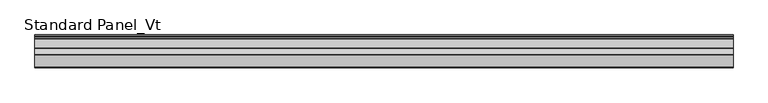
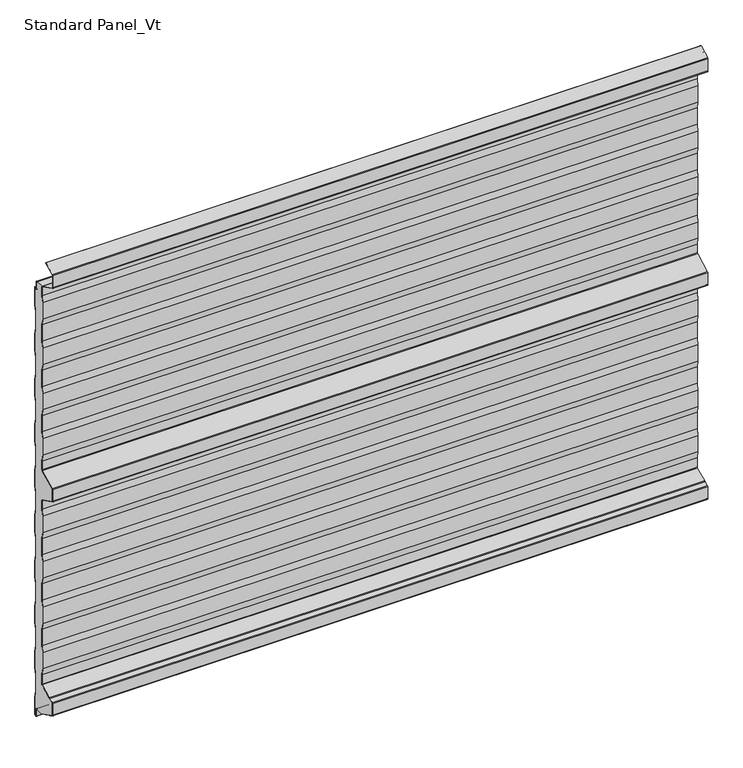
"""IFC4 building model written with IfcOpenShell, lengths in millimetres: proxy geometry, Standard Panel_Vt."""

from ifc_helpers import new_model, si_unit, point, frame, frame_2d, origin, place, context, project, spatial, polyline, circle_curve, trimmed, segment, composite_curve, outline, extrude, source, transform, mapped, element, save
from ifc_brep_helpers import plane_surface, cylinder_surface, revolved_surface, advanced_brep


def standard_panel_vt_29ff8bad(model_context):
    return source(origin(), model_context, "Body", "SolidModel", [
        advanced_brep(
        [(-723.9042608, -27.5, 35.1338169), (-723.9042608, -27.5, 57.6094989), (-723.9042608, -30.0, 72.448892), (-723.9042608, -30.0, 110.5241033), (-723.9042608, -27.5, 125.3634964), (-723.9042608, -27.5, 163.6094989), (-723.9042608, -30.0, 178.448892), (-723.9042608, -30.0, 216.5241033), (-723.9042608, -27.5, 231.3634964), (-723.9042608, -27.5, 269.6094989), (-723.9042608, -30.0, 284.448892), (-723.9042608, -30.0, 322.5241033), (-723.9042608, -27.5, 337.3634964), (-723.9042608, -27.5, 375.6094989), (-723.9042608, -30.0, 390.448892), (-723.9042608, -30.0, 428.5241033), (-723.9042608, -27.5, 443.3634964), (-723.9042608, -27.5, 463.5777279), (-723.9042608, -29.215023, 466.3511443), (-723.9042608, -66.7201502, 485.0802964), (-723.9042608, -67.55, 486.4222721), (-723.9042608, -67.55, 513.5777279), (-723.9042608, -66.7201502, 514.9197036), (-723.9042608, -29.215023, 533.6488557), (-723.9042608, -27.5, 536.4222721), (-723.9042608, -27.5, 556.6365036), (-723.9042608, -30.0, 571.4758967), (-723.9042608, -30.0, 609.551108), (-723.9042608, -27.5, 624.3905011), (-723.9042608, -27.5, 662.6365036), (-723.9042608, -30.0, 677.4758967), (-723.9042608, -30.0, 715.551108), (-723.9042608, -27.5, 730.3905011), (-723.9042608, -27.5, 768.6365036), (-723.9042608, -30.0, 783.4758967), (-723.9042608, -30.0, 821.551108), (-723.9042608, -27.5, 836.3905011), (-723.9042608, -27.5, 874.6365036), (-723.9042608, -30.0, 889.4758967), (-723.9042608, -30.0, 927.551108), (-723.9042608, -27.5, 942.3905011), (-723.9042608, -27.5, 962.6040392), (-723.9042608, -27.9622719, 964.2326554), (-723.9042608, -10.2001722, 964.2), (-723.9042608, -10.2001722, 963.3616429), (-723.9042608, -8.2001714, 963.3616429), (-723.9042608, -6.9001721, 962.0616436), (-723.9042608, -6.9001721, 946.4755735), (-723.9042608, -4.1204106, 944.9655843), (-723.9042608, -1.6, 946.6009611), (-723.9042608, -1.6, 905.4928529), (-723.9042608, -4.1, 890.4928529), (-723.9042608, -4.1, 852.3604329), (-723.9042608, -1.6, 837.3604329), (-723.9042608, -1.6, 799.4928529), (-723.9042608, -4.1, 784.4928529), (-723.9042608, -4.1, 746.3604329), (-723.9042608, -1.6, 731.3604329), (-723.9042608, -1.6, 693.4928529), (-723.9042608, -4.1, 678.4928529), (-723.9042608, -4.1, 640.3604329), (-723.9042608, -1.6, 625.3604329), (-723.9042608, -1.6, 587.4928529), (-723.9042608, -4.1, 572.4928529), (-723.9042608, -4.1, 534.3604329), (-723.9042608, -1.6, 519.3604329), (-723.9042608, -1.6, 481.9928529), (-723.9042608, -4.1, 466.9928529), (-723.9042608, -4.1, 428.8604329), (-723.9042608, -1.6, 413.8604329), (-723.9042608, -1.6, 375.4928529), (-723.9042608, -4.1, 360.4928529), (-723.9042608, -4.1, 322.3604329), (-723.9042608, -1.6, 307.3604329), (-723.9042608, -1.6, 269.4928529), (-723.9042608, -4.1, 254.4928529), (-723.9042608, -4.1, 216.3604329), (-723.9042608, -1.6, 201.3604329), (-723.9042608, -1.6, 163.4928529), (-723.9042608, -4.1, 148.4928529), (-723.9042608, -4.1, 110.3604329), (-723.9042608, -1.6, 95.3604329), (-723.9042608, -1.6, 57.4928529), (-723.9042608, -4.1, 42.4928529), (-723.9042608, -4.1, 4.3604329), (-723.9042608, -1.6, -10.6395671), (-723.9042608, -1.6, -51.4917405), (-723.9042608, -4.8001723, -53.568183), (-723.9042608, -4.8001723, -37.2383568), (-723.9042608, -7.0001721, -35.0383571), (-723.9042608, -8.930172, -35.0383571), (-723.9042608, -8.930172, -35.8383571), (-723.9042608, -25.05, -35.8), (-723.9042608, -66.7201502, -14.9197036), (-723.9042608, -67.55, -13.5777279), (-723.9042608, -67.55, 13.5777279), (-723.9042608, -66.7201502, 14.9197036), (-723.9042608, -58.2301555, 19.1594013), (-723.9042608, -56.5702853, 19.3495888), (-723.9042608, -55.8045421, 19.576942), (-723.9042608, -28.7724364, 33.0761209), (723.9042608, -27.5, 35.1338169), (723.9042608, -28.7724364, 33.0761209), (723.9042608, -55.8045421, 19.576942), (723.9042608, -56.5702853, 19.3495888), (723.9042608, -58.2301555, 19.1594013), (723.9042608, -66.7201502, 14.9197036), (723.9042608, -67.55, 13.5777279), (723.9042608, -67.55, -13.5777279), (723.9042608, -66.7201502, -14.9197036), (723.9042608, -25.05, -35.7287673), (723.9042608, -8.930172, -35.8383571), (723.9042608, -8.930172, -35.0383571), (723.9042608, -7.0001721, -35.0383571), (723.9042608, -4.8001723, -37.2383568), (723.9042608, -4.8001723, -53.568183), (723.9042608, -1.6, -51.4917405), (723.9042608, -1.6, -10.6395671), (723.9042608, -4.1, 4.3604329), (723.9042608, -4.1, 42.4928529), (723.9042608, -1.6, 57.4928529), (723.9042608, -1.6, 95.3604329), (723.9042608, -4.1, 110.3604329), (723.9042608, -4.1, 148.4928529), (723.9042608, -1.6, 163.4928529), (723.9042608, -1.6, 201.3604329), (723.9042608, -4.1, 216.3604329), (723.9042608, -4.1, 254.4928529), (723.9042608, -1.6, 269.4928529), (723.9042608, -1.6, 307.3604329), (723.9042608, -4.1, 322.3604329), (723.9042608, -4.1, 360.4928529), (723.9042608, -1.6, 375.4928529), (723.9042608, -1.6, 413.8604329), (723.9042608, -4.1, 428.8604329), (723.9042608, -4.1, 466.9928529), (723.9042608, -1.6, 481.9928529), (723.9042608, -1.6, 519.3604329), (723.9042608, -4.1, 534.3604329), (723.9042608, -4.1, 572.4928529), (723.9042608, -1.6, 587.4928529), (723.9042608, -1.6, 625.3604329), (723.9042608, -4.1, 640.3604329), (723.9042608, -4.1, 678.4928529), (723.9042608, -1.6, 693.4928529), (723.9042608, -1.6, 731.3604329), (723.9042608, -4.1, 746.3604329), (723.9042608, -4.1, 784.4928529), (723.9042608, -1.6, 799.4928529), (723.9042608, -1.6, 837.3604329), (723.9042608, -4.1, 852.3604329), (723.9042608, -4.1, 890.4928529), (723.9042608, -1.6, 905.4928529), (723.9042608, -1.6, 946.6009611), (723.9042608, -4.1204106, 944.9655843), (723.9042608, -6.9001721, 946.4755735), (723.9042608, -6.9001721, 962.0616436), (723.9042608, -8.2001714, 963.3616429), (723.9042608, -10.2001722, 963.3616429), (723.9042608, -10.2001722, 964.2), (723.9042608, -27.9622719, 964.2326554), (723.9042608, -27.5, 962.6040392), (723.9042608, -27.5, 942.3905011), (723.9042608, -30.0, 927.551108), (723.9042608, -30.0, 889.4758967), (723.9042608, -27.5, 874.6365036), (723.9042608, -27.5, 836.3905011), (723.9042608, -30.0, 821.551108), (723.9042608, -30.0, 783.4758967), (723.9042608, -27.5, 768.6365036), (723.9042608, -27.5, 730.3905011), (723.9042608, -30.0, 715.551108), (723.9042608, -30.0, 677.4758967), (723.9042608, -27.5, 662.6365036), (723.9042608, -27.5, 624.3905011), (723.9042608, -30.0, 609.551108), (723.9042608, -30.0, 571.4758967), (723.9042608, -27.5, 556.6365036), (723.9042608, -27.5, 536.4222721), (723.9042608, -29.215023, 533.6488557), (723.9042608, -66.7201502, 514.9197036), (723.9042608, -67.55, 513.5777279), (723.9042608, -67.55, 486.4222721), (723.9042608, -66.7201502, 485.0802964), (723.9042608, -29.215023, 466.3511443), (723.9042608, -27.5, 463.5777279), (723.9042608, -27.5, 443.3634964), (723.9042608, -30.0, 428.5241033), (723.9042608, -30.0, 390.448892), (723.9042608, -27.5, 375.6094989), (723.9042608, -27.5, 337.3634964), (723.9042608, -30.0, 322.5241033), (723.9042608, -30.0, 284.448892), (723.9042608, -27.5, 269.6094989), (723.9042608, -27.5, 231.3634964), (723.9042608, -30.0, 216.5241033), (723.9042608, -30.0, 178.448892), (723.9042608, -27.5, 163.6094989), (723.9042608, -27.5, 125.3634964), (723.9042608, -30.0, 110.5241033), (723.9042608, -30.0, 72.448892), (723.9042608, -27.5, 57.6094989)],
        [
            (0, 1),
            (1, 2),
            (2, 3),
            (3, 4),
            (4, 5),
            (5, 6),
            (6, 7),
            (7, 8),
            (8, 9),
            (9, 10),
            (10, 11),
            (11, 12),
            (12, 13),
            (13, 14),
            (14, 15),
            (15, 16),
            (16, 17),
            (17, 18, circle_curve(frame((-723.9042608, -30.6, 463.5777279), z_axis=(1.0, 0.0, 0.0), x_axis=(0.0, 0.0, -1.0)), 3.1)),
            (18, 19),
            (19, 20, circle_curve(frame((-723.9042608, -66.05, 486.4222721), z_axis=(-1.0, 0.0, 0.0), x_axis=(0.0, 0.0, -1.0)), 1.5)),
            (20, 21),
            (21, 22, circle_curve(frame((-723.9042608, -66.05, 513.5777279), z_axis=(-1.0, 0.0, 0.0), x_axis=(0.0, 0.0, -1.0)), 1.5)),
            (22, 23),
            (23, 24, circle_curve(frame((-723.9042608, -30.6, 536.4222721), z_axis=(1.0, 0.0, 0.0), x_axis=(0.0, 0.0, -1.0)), 3.1)),
            (24, 25),
            (25, 26),
            (26, 27),
            (27, 28),
            (28, 29),
            (29, 30),
            (30, 31),
            (31, 32),
            (32, 33),
            (33, 34),
            (34, 35),
            (35, 36),
            (36, 37),
            (37, 38),
            (38, 39),
            (39, 40),
            (40, 41),
            (41, 42, circle_curve(frame((-723.9042608, -30.6, 962.6040392), z_axis=(1.0, 0.0, 0.0), x_axis=(0.0, 0.0, -1.0)), 3.1)),
            (42, 43),
            (43, 44),
            (44, 45),
            (45, 46, circle_curve(frame((-723.9042608, -8.2001714, 962.0616436), z_axis=(-1.0, 0.0, 0.0), x_axis=(0.0, 0.0, -1.0)), 1.2999993)),
            (46, 47),
            (47, 48, circle_curve(frame((-723.9042608, -5.1001721, 946.4755735), z_axis=(1.0, 0.0, 0.0), x_axis=(0.0, 0.0, -1.0)), 1.8)),
            (48, 49),
            (49, 50),
            (50, 51),
            (51, 52),
            (52, 53),
            (53, 54),
            (54, 55),
            (55, 56),
            (56, 57),
            (57, 58),
            (58, 59),
            (59, 60),
            (60, 61),
            (61, 62),
            (62, 63),
            (63, 64),
            (64, 65),
            (65, 66),
            (66, 67),
            (67, 68),
            (68, 69),
            (69, 70),
            (70, 71),
            (71, 72),
            (72, 73),
            (73, 74),
            (74, 75),
            (75, 76),
            (76, 77),
            (77, 78),
            (78, 79),
            (79, 80),
            (80, 81),
            (81, 82),
            (82, 83),
            (83, 84),
            (84, 85),
            (85, 86),
            (86, 87),
            (87, 88),
            (88, 89, circle_curve(frame((-723.9042608, -7.0001721, -37.2383568), z_axis=(1.0, 0.0, 0.0), x_axis=(0.0, 0.0, -1.0)), 2.1999997)),
            (89, 90),
            (90, 91),
            (91, 92),
            (92, 93),
            (93, 94, circle_curve(frame((-723.9042608, -66.05, -13.5777279), z_axis=(-1.0, 0.0, 0.0), x_axis=(0.0, 0.0, -1.0)), 1.5)),
            (94, 95),
            (95, 96, circle_curve(frame((-723.9042608, -66.05, 13.5777279), z_axis=(-1.0, 0.0, 0.0), x_axis=(0.0, 0.0, -1.0)), 1.5)),
            (96, 97),
            (97, 98),
            (98, 99, circle_curve(frame((-723.9042608, -56.8321057, 21.6346381), z_axis=(1.0, 0.0, 0.0), x_axis=(0.0, 0.0, -1.0)), 2.3)),
            (99, 100),
            (100, 0, circle_curve(frame((-723.9042608, -29.8, 35.1338169), z_axis=(1.0, 0.0, 0.0), x_axis=(0.0, 0.0, -1.0)), 2.3)),
            (101, 102, circle_curve(frame((723.9042608, -29.8, 35.1338169), z_axis=(-1.0, 0.0, 0.0), x_axis=(0.0, 0.0, -1.0)), 2.3)),
            (102, 103),
            (103, 104, circle_curve(frame((723.9042608, -56.8321057, 21.6346381), z_axis=(-1.0, 0.0, 0.0), x_axis=(0.0, 0.0, -1.0)), 2.3)),
            (104, 105),
            (105, 106),
            (106, 107, circle_curve(frame((723.9042608, -66.05, 13.5777279), z_axis=(1.0, 0.0, 0.0), x_axis=(0.0, 0.0, -1.0)), 1.5)),
            (107, 108),
            (108, 109, circle_curve(frame((723.9042608, -66.05, -13.5777279), z_axis=(1.0, 0.0, 0.0), x_axis=(0.0, 0.0, -1.0)), 1.5)),
            (109, 110),
            (110, 111),
            (111, 112),
            (112, 113),
            (113, 114, circle_curve(frame((723.9042608, -7.0001721, -37.2383568), z_axis=(-1.0, 0.0, 0.0), x_axis=(0.0, 0.0, -1.0)), 2.1999997)),
            (114, 115),
            (115, 116),
            (116, 117),
            (117, 118),
            (118, 119),
            (119, 120),
            (120, 121),
            (121, 122),
            (122, 123),
            (123, 124),
            (124, 125),
            (125, 126),
            (126, 127),
            (127, 128),
            (128, 129),
            (129, 130),
            (130, 131),
            (131, 132),
            (132, 133),
            (133, 134),
            (134, 135),
            (135, 136),
            (136, 137),
            (137, 138),
            (138, 139),
            (139, 140),
            (140, 141),
            (141, 142),
            (142, 143),
            (143, 144),
            (144, 145),
            (145, 146),
            (146, 147),
            (147, 148),
            (148, 149),
            (149, 150),
            (150, 151),
            (151, 152),
            (152, 153),
            (153, 154),
            (154, 155, circle_curve(frame((723.9042608, -5.1001721, 946.4755735), z_axis=(-1.0, 0.0, 0.0), x_axis=(0.0, 0.0, -1.0)), 1.8)),
            (155, 156),
            (156, 157, circle_curve(frame((723.9042608, -8.2001714, 962.0616436), z_axis=(1.0, 0.0, 0.0), x_axis=(0.0, 0.0, -1.0)), 1.2999993)),
            (157, 158),
            (158, 159),
            (159, 160),
            (160, 161, circle_curve(frame((723.9042608, -30.6, 962.6040392), z_axis=(-1.0, 0.0, 0.0), x_axis=(0.0, 0.0, -1.0)), 3.1)),
            (161, 162),
            (162, 163),
            (163, 164),
            (164, 165),
            (165, 166),
            (166, 167),
            (167, 168),
            (168, 169),
            (169, 170),
            (170, 171),
            (171, 172),
            (172, 173),
            (173, 174),
            (174, 175),
            (175, 176),
            (176, 177),
            (177, 178),
            (178, 179, circle_curve(frame((723.9042608, -30.6, 536.4222721), z_axis=(-1.0, 0.0, 0.0), x_axis=(0.0, 0.0, -1.0)), 3.1)),
            (179, 180),
            (180, 181, circle_curve(frame((723.9042608, -66.05, 513.5777279), z_axis=(1.0, 0.0, 0.0), x_axis=(0.0, 0.0, -1.0)), 1.5)),
            (181, 182),
            (182, 183, circle_curve(frame((723.9042608, -66.05, 486.4222721), z_axis=(1.0, 0.0, 0.0), x_axis=(0.0, 0.0, -1.0)), 1.5)),
            (183, 184),
            (184, 185, circle_curve(frame((723.9042608, -30.6, 463.5777279), z_axis=(-1.0, 0.0, 0.0), x_axis=(0.0, 0.0, -1.0)), 3.1)),
            (185, 186),
            (186, 187),
            (187, 188),
            (188, 189),
            (189, 190),
            (190, 191),
            (191, 192),
            (192, 193),
            (193, 194),
            (194, 195),
            (195, 196),
            (196, 197),
            (197, 198),
            (198, 199),
            (199, 200),
            (200, 201),
            (201, 101),
            (100, 102),
            (101, 0),
            (99, 103),
            (98, 104),
            (97, 105),
            (96, 106),
            (95, 107),
            (94, 108),
            (93, 109),
            (92, 110),
            (159, 43),
            (42, 160),
            (41, 161),
            (40, 162),
            (39, 163),
            (38, 164),
            (37, 165),
            (36, 166),
            (35, 167),
            (34, 168),
            (33, 169),
            (32, 170),
            (31, 171),
            (30, 172),
            (29, 173),
            (28, 174),
            (27, 175),
            (26, 176),
            (25, 177),
            (24, 178),
            (23, 179),
            (22, 180),
            (21, 181),
            (20, 182),
            (19, 183),
            (18, 184),
            (17, 185),
            (16, 186),
            (15, 187),
            (14, 188),
            (13, 189),
            (12, 190),
            (11, 191),
            (10, 192),
            (9, 193),
            (8, 194),
            (7, 195),
            (6, 196),
            (5, 197),
            (4, 198),
            (3, 199),
            (2, 200),
            (1, 201),
            (158, 44),
            (88, 114),
            (113, 89),
            (87, 115),
            (86, 116),
            (85, 117),
            (84, 118),
            (83, 119),
            (82, 120),
            (81, 121),
            (80, 122),
            (79, 123),
            (78, 124),
            (77, 125),
            (76, 126),
            (75, 127),
            (74, 128),
            (73, 129),
            (72, 130),
            (71, 131),
            (70, 132),
            (69, 133),
            (68, 134),
            (67, 135),
            (66, 136),
            (65, 137),
            (64, 138),
            (63, 139),
            (62, 140),
            (61, 141),
            (60, 142),
            (59, 143),
            (58, 144),
            (57, 145),
            (56, 146),
            (55, 147),
            (54, 148),
            (53, 149),
            (52, 150),
            (51, 151),
            (50, 152),
            (49, 153),
            (48, 154),
            (47, 155),
            (46, 156),
            (45, 157),
            (90, 112),
            (111, 91),
        ],
        [
            plane_surface(frame((-723.9042608, -30.0, 500.0), z_axis=(-1.0, 0.0, 0.0), x_axis=(0.0, 1.0, 0.0))),
            plane_surface(frame((723.9042608, -30.0, 500.0), z_axis=(1.0, 0.0, 0.0), x_axis=(0.0, 1.0, 0.0))),
            revolved_surface(polyline([(723.9042608, -29.8, 32.8338169), (-723.9042608, -29.8, 32.8338169)]), (-723.9042608, -29.8, 35.1338169), (1.0, 0.0, 0.0)),
            plane_surface(frame((-723.9042608, -28.7724364, 33.0761209), z_axis=(0.0, -0.4467667729379058, 0.89465046280581), x_axis=(1.0, 0.0, 0.0))),
            revolved_surface(polyline([(723.9042608, -56.8321057, 19.3346381), (-723.9042608, -56.8321057, 19.3346381)]), (-723.9042608, -56.8321057, 21.6346381), (1.0, 0.0, 0.0)),
            plane_surface(frame((-723.9042608, -56.5702853, 19.3495888), z_axis=(0.0, -0.11383496024224143, 0.9934996737929246), x_axis=(1.0, 0.0, 0.0))),
            plane_surface(frame((-723.9042608, -58.2301555, 19.1594013), z_axis=(0.0, -0.44676677293837763, 0.8946504628055743), x_axis=(1.0, 0.0, 0.0))),
            cylinder_surface(frame((-723.9042608, -66.05, 13.5777279), z_axis=(-1.0, 0.0, 0.0), x_axis=(0.0, 0.0, -1.0)), 1.5),
            plane_surface(frame((-723.9042608, -67.55, 13.5777279), z_axis=(0.0, -1.0, 0.0), x_axis=(1.0, 0.0, 0.0))),
            cylinder_surface(frame((-723.9042608, -66.05, -13.5777279), z_axis=(-1.0, 0.0, 0.0), x_axis=(0.0, 0.0, -1.0)), 1.5),
            plane_surface(frame((-723.9042608, -66.7201502, -14.9197036), z_axis=(0.0, -0.4467667729366023, -0.8946504628064608), x_axis=(1.0, 0.0, 0.0))),
            plane_surface(frame((-723.9042608, -25.05, 964.2326554), z_axis=(0.0, 0.0, 1.0), x_axis=(1.0, 0.0, 0.0))),
            revolved_surface(polyline([(723.9042608, -30.6, 959.5040392), (-723.9042608, -30.6, 959.5040392)]), (-723.9042608, -30.6, 962.6040392), (1.0, 0.0, 0.0)),
            plane_surface(frame((-723.9042608, -27.5, 962.6040392), z_axis=(0.0, -1.0, 0.0), x_axis=(1.0, 0.0, 0.0))),
            plane_surface(frame((-723.9042608, -27.5, 942.3905011), z_axis=(0.0, -0.9861039564577478, 0.16612942863435207), x_axis=(1.0, 0.0, 0.0))),
            plane_surface(frame((-723.9042608, -30.0, 927.551108), z_axis=(0.0, -1.0, 0.0), x_axis=(1.0, 0.0, 0.0))),
            plane_surface(frame((-723.9042608, -30.0, 889.4758967), z_axis=(0.0, -0.986103956457715, -0.16612942863454708), x_axis=(1.0, 0.0, 0.0))),
            plane_surface(frame((-723.9042608, -27.5, 874.6365036), z_axis=(0.0, -1.0, 0.0), x_axis=(1.0, 0.0, 0.0))),
            plane_surface(frame((-723.9042608, -27.5, 836.3905011), z_axis=(0.0, -0.9861039564577201, 0.1661294286345171), x_axis=(1.0, 0.0, 0.0))),
            plane_surface(frame((-723.9042608, -30.0, 821.551108), z_axis=(0.0, -1.0, 0.0), x_axis=(1.0, 0.0, 0.0))),
            plane_surface(frame((-723.9042608, -30.0, 783.4758967), z_axis=(0.0, -0.986103956457715, -0.16612942863454708), x_axis=(1.0, 0.0, 0.0))),
            plane_surface(frame((-723.9042608, -27.5, 768.6365036), z_axis=(0.0, -1.0, 0.0), x_axis=(1.0, 0.0, 0.0))),
            plane_surface(frame((-723.9042608, -27.5, 730.3905011), z_axis=(0.0, -0.9861039564577478, 0.16612942863435207), x_axis=(1.0, 0.0, 0.0))),
            plane_surface(frame((-723.9042608, -30.0, 715.551108), z_axis=(0.0, -1.0, 0.0), x_axis=(1.0, 0.0, 0.0))),
            plane_surface(frame((-723.9042608, -30.0, 677.4758967), z_axis=(0.0, -0.9861039564576832, -0.16612942863473568), x_axis=(1.0, 0.0, 0.0))),
            plane_surface(frame((-723.9042608, -27.5, 662.6365036), z_axis=(0.0, -1.0, 0.0), x_axis=(1.0, 0.0, 0.0))),
            plane_surface(frame((-723.9042608, -27.5, 624.3905011), z_axis=(0.0, -0.9861039564577201, 0.1661294286345171), x_axis=(1.0, 0.0, 0.0))),
            plane_surface(frame((-723.9042608, -30.0, 609.551108), z_axis=(0.0, -1.0, 0.0), x_axis=(1.0, 0.0, 0.0))),
            plane_surface(frame((-723.9042608, -30.0, 571.4758967), z_axis=(0.0, -0.9861039564577467, -0.16612942863435845), x_axis=(1.0, 0.0, 0.0))),
            plane_surface(frame((-723.9042608, -27.5, 556.6365036), z_axis=(0.0, -1.0, 0.0), x_axis=(1.0, 0.0, 0.0))),
            revolved_surface(polyline([(723.9042608, -30.6, 533.3222721), (-723.9042608, -30.6, 533.3222721)]), (-723.9042608, -30.6, 536.4222721), (1.0, 0.0, 0.0)),
            plane_surface(frame((-723.9042608, -29.215023, 533.6488557), z_axis=(0.0, -0.4467667729373698, 0.8946504628060775), x_axis=(1.0, 0.0, 0.0))),
            cylinder_surface(frame((-723.9042608, -66.05, 513.5777279), z_axis=(-1.0, 0.0, 0.0), x_axis=(0.0, 0.0, -1.0)), 1.5),
            plane_surface(frame((-723.9042608, -67.55, 513.5777279), z_axis=(0.0, -1.0, 0.0), x_axis=(1.0, 0.0, 0.0))),
            cylinder_surface(frame((-723.9042608, -66.05, 486.4222721), z_axis=(-1.0, 0.0, 0.0), x_axis=(0.0, 0.0, -1.0)), 1.5),
            plane_surface(frame((-723.9042608, -66.7201502, 485.0802964), z_axis=(0.0, -0.4467667729375501, -0.8946504628059875), x_axis=(1.0, 0.0, 0.0))),
            revolved_surface(polyline([(723.9042608, -30.6, 460.4777279), (-723.9042608, -30.6, 460.4777279)]), (-723.9042608, -30.6, 463.5777279), (1.0, 0.0, 0.0)),
            plane_surface(frame((-723.9042608, -27.5, 463.5777279), z_axis=(0.0, -1.0, 0.0), x_axis=(1.0, 0.0, 0.0))),
            plane_surface(frame((-723.9042608, -27.5, 443.3634964), z_axis=(0.0, -0.9861039564577047, 0.16612942863460836), x_axis=(1.0, 0.0, 0.0))),
            plane_surface(frame((-723.9042608, -30.0, 428.5241033), z_axis=(0.0, -1.0, 0.0), x_axis=(1.0, 0.0, 0.0))),
            plane_surface(frame((-723.9042608, -30.0, 390.448892), z_axis=(0.0, -0.9861039564576678, -0.16612942863482694), x_axis=(1.0, 0.0, 0.0))),
            plane_surface(frame((-723.9042608, -27.5, 375.6094989), z_axis=(0.0, -1.0, 0.0), x_axis=(1.0, 0.0, 0.0))),
            plane_surface(frame((-723.9042608, -27.5, 337.3634964), z_axis=(0.0, -0.9861039564577121, 0.16612942863456426), x_axis=(1.0, 0.0, 0.0))),
            plane_surface(frame((-723.9042608, -30.0, 322.5241033), z_axis=(0.0, -1.0, 0.0), x_axis=(1.0, 0.0, 0.0))),
            plane_surface(frame((-723.9042608, -30.0, 284.448892), z_axis=(0.0, -0.9861039564577467, -0.16612942863435845), x_axis=(1.0, 0.0, 0.0))),
            plane_surface(frame((-723.9042608, -27.5, 269.6094989), z_axis=(0.0, -1.0, 0.0), x_axis=(1.0, 0.0, 0.0))),
            plane_surface(frame((-723.9042608, -27.5, 231.3634964), z_axis=(0.0, -0.9861039564577161, 0.1661294286345407), x_axis=(1.0, 0.0, 0.0))),
            plane_surface(frame((-723.9042608, -30.0, 216.5241033), z_axis=(0.0, -1.0, 0.0), x_axis=(1.0, 0.0, 0.0))),
            plane_surface(frame((-723.9042608, -30.0, 178.448892), z_axis=(0.0, -0.986103956457715, -0.16612942863454708), x_axis=(1.0, 0.0, 0.0))),
            plane_surface(frame((-723.9042608, -27.5, 163.6094989), z_axis=(0.0, -1.0, 0.0), x_axis=(1.0, 0.0, 0.0))),
            plane_surface(frame((-723.9042608, -27.5, 125.3634964), z_axis=(0.0, -0.9861039564577161, 0.1661294286345407), x_axis=(1.0, 0.0, 0.0))),
            plane_surface(frame((-723.9042608, -30.0, 110.5241033), z_axis=(0.0, -1.0, 0.0), x_axis=(1.0, 0.0, 0.0))),
            plane_surface(frame((-723.9042608, -30.0, 72.448892), z_axis=(0.0, -0.9861039564576832, -0.16612942863473568), x_axis=(1.0, 0.0, 0.0))),
            plane_surface(frame((-723.9042608, -27.5, 57.6094989), z_axis=(0.0, -1.0, 0.0), x_axis=(1.0, 0.0, 0.0))),
            plane_surface(frame((723.9042608, -10.2001722, 964.2), z_axis=(0.0, 1.0, 0.0), x_axis=(-1.0, 0.0, 0.0))),
            revolved_surface(polyline([(723.9042608, -7.0001721, -39.4383565), (-723.9042608, -7.0001721, -39.4383565)]), (-723.9042608, -7.0001721, -37.2383568), (1.0, 0.0, 0.0)),
            plane_surface(frame((-723.9042608, -4.8001723, -37.2383568), z_axis=(0.0, -1.0, 0.0), x_axis=(1.0, 0.0, 0.0))),
            plane_surface(frame((-723.9042608, -4.8001723, -53.568183), z_axis=(0.0, 0.5443119480328179, -0.8388828900560071), x_axis=(1.0, 0.0, 0.0))),
            plane_surface(frame((-723.9042608, -1.6, -51.4917405), z_axis=(0.0, 1.0, 0.0), x_axis=(1.0, 0.0, 0.0))),
            plane_surface(frame((-723.9042608, -1.6, -10.6395671), z_axis=(0.0, 0.9863939238321534, 0.16439898730529956), x_axis=(1.0, 0.0, 0.0))),
            plane_surface(frame((-723.9042608, -4.1, 4.3604329), z_axis=(0.0, 1.0, 0.0), x_axis=(1.0, 0.0, 0.0))),
            plane_surface(frame((-723.9042608, -4.1, 42.4928529), z_axis=(0.0, 0.9863939238321456, -0.1643989873053465), x_axis=(1.0, 0.0, 0.0))),
            plane_surface(frame((-723.9042608, -1.6, 57.4928529), z_axis=(0.0, 1.0, 0.0), x_axis=(1.0, 0.0, 0.0))),
            plane_surface(frame((-723.9042608, -1.6, 95.3604329), z_axis=(0.0, 0.9863939238321452, 0.16439898730534863), x_axis=(1.0, 0.0, 0.0))),
            plane_surface(frame((-723.9042608, -4.1, 110.3604329), z_axis=(0.0, 1.0, 0.0), x_axis=(1.0, 0.0, 0.0))),
            plane_surface(frame((-723.9042608, -4.1, 148.4928529), z_axis=(0.0, 0.9863939238321413, -0.16439898730537209), x_axis=(1.0, 0.0, 0.0))),
            plane_surface(frame((-723.9042608, -1.6, 163.4928529), z_axis=(0.0, 1.0, 0.0), x_axis=(1.0, 0.0, 0.0))),
            plane_surface(frame((-723.9042608, -1.6, 201.3604329), z_axis=(0.0, 0.9863939238321713, 0.164398987305192), x_axis=(1.0, 0.0, 0.0))),
            plane_surface(frame((-723.9042608, -4.1, 216.3604329), z_axis=(0.0, 1.0, 0.0), x_axis=(1.0, 0.0, 0.0))),
            plane_surface(frame((-723.9042608, -4.1, 254.4928529), z_axis=(0.0, 0.9863939238321595, -0.16439898730526276), x_axis=(1.0, 0.0, 0.0))),
            plane_surface(frame((-723.9042608, -1.6, 269.4928529), z_axis=(0.0, 1.0, 0.0), x_axis=(1.0, 0.0, 0.0))),
            plane_surface(frame((-723.9042608, -1.6, 307.3604329), z_axis=(0.0, 0.9863939238321285, 0.16439898730544858), x_axis=(1.0, 0.0, 0.0))),
            plane_surface(frame((-723.9042608, -4.1, 322.3604329), z_axis=(0.0, 1.0, 0.0), x_axis=(1.0, 0.0, 0.0))),
            plane_surface(frame((-723.9042608, -4.1, 360.4928529), z_axis=(0.0, 0.986393923832452, -0.16439898730350827), x_axis=(1.0, 0.0, 0.0))),
            plane_surface(frame((-723.9042608, -1.6, 375.4928529), z_axis=(0.0, 1.0, 0.0), x_axis=(1.0, 0.0, 0.0))),
            plane_surface(frame((-723.9042608, -1.6, 413.8604329), z_axis=(0.0, 0.986393923832151, 0.16439898730531435), x_axis=(1.0, 0.0, 0.0))),
            plane_surface(frame((-723.9042608, -4.1, 428.8604329), z_axis=(0.0, 1.0, 0.0), x_axis=(1.0, 0.0, 0.0))),
            plane_surface(frame((-723.9042608, -4.1, 466.9928529), z_axis=(0.0, 0.9863939238329182, -0.1643989873007107), x_axis=(1.0, 0.0, 0.0))),
            plane_surface(frame((-723.9042608, -1.6, 481.9928529), z_axis=(0.0, 1.0, 0.0), x_axis=(1.0, 0.0, 0.0))),
            plane_surface(frame((-723.9042608, -1.6, 519.3604329), z_axis=(0.0, 0.986393923832576, 0.1643989873027638), x_axis=(1.0, 0.0, 0.0))),
            plane_surface(frame((-723.9042608, -4.1, 534.3604329), z_axis=(0.0, 1.0, 0.0), x_axis=(1.0, 0.0, 0.0))),
            plane_surface(frame((-723.9042608, -4.1, 572.4928529), z_axis=(0.0, 0.9863939238321462, -0.1643989873053435), x_axis=(1.0, 0.0, 0.0))),
            plane_surface(frame((-723.9042608, -1.6, 587.4928529), z_axis=(0.0, 1.0, 0.0), x_axis=(1.0, 0.0, 0.0))),
            plane_surface(frame((-723.9042608, -1.6, 625.3604329), z_axis=(0.0, 0.9863939238321415, 0.16439898730537109), x_axis=(1.0, 0.0, 0.0))),
            plane_surface(frame((-723.9042608, -4.1, 640.3604329), z_axis=(0.0, 1.0, 0.0), x_axis=(1.0, 0.0, 0.0))),
            plane_surface(frame((-723.9042608, -4.1, 678.4928529), z_axis=(0.0, 0.9863939238321462, -0.1643989873053435), x_axis=(1.0, 0.0, 0.0))),
            plane_surface(frame((-723.9042608, -1.6, 693.4928529), z_axis=(0.0, 1.0, 0.0), x_axis=(1.0, 0.0, 0.0))),
            plane_surface(frame((-723.9042608, -1.6, 731.3604329), z_axis=(0.0, 0.9863939238321723, 0.16439898730518634), x_axis=(1.0, 0.0, 0.0))),
            plane_surface(frame((-723.9042608, -4.1, 746.3604329), z_axis=(0.0, 1.0, 0.0), x_axis=(1.0, 0.0, 0.0))),
            plane_surface(frame((-723.9042608, -4.1, 784.4928529), z_axis=(0.0, 0.9863939238321462, -0.1643989873053435), x_axis=(1.0, 0.0, 0.0))),
            plane_surface(frame((-723.9042608, -1.6, 799.4928529), z_axis=(0.0, 1.0, 0.0), x_axis=(1.0, 0.0, 0.0))),
            plane_surface(frame((-723.9042608, -1.6, 837.3604329), z_axis=(0.0, 0.9863939238321415, 0.16439898730537109), x_axis=(1.0, 0.0, 0.0))),
            plane_surface(frame((-723.9042608, -4.1, 852.3604329), z_axis=(0.0, 1.0, 0.0), x_axis=(1.0, 0.0, 0.0))),
            plane_surface(frame((-723.9042608, -4.1, 890.4928529), z_axis=(0.0, 0.9863939238321769, -0.16439898730515876), x_axis=(1.0, 0.0, 0.0))),
            plane_surface(frame((-723.9042608, -1.6, 905.4928529), z_axis=(0.0, 1.0, 0.0), x_axis=(1.0, 0.0, 0.0))),
            plane_surface(frame((-723.9042608, -1.6, 946.6009611), z_axis=(0.0, -0.5443119480359504, 0.8388828900539747), x_axis=(1.0, 0.0, 0.0))),
            revolved_surface(polyline([(723.9042608, -5.1001721, 944.6755735), (-723.9042608, -5.1001721, 944.6755735)]), (-723.9042608, -5.1001721, 946.4755735), (1.0, 0.0, 0.0)),
            plane_surface(frame((-723.9042608, -6.9001721, 946.4755735), z_axis=(0.0, 1.0, 0.0), x_axis=(1.0, 0.0, 0.0))),
            cylinder_surface(frame((-723.9042608, -8.2001714, 962.0616436), z_axis=(-1.0, 0.0, 0.0), x_axis=(0.0, 0.0, -1.0)), 1.2999993),
            plane_surface(frame((-723.9042608, -8.2001714, 963.3616429), z_axis=(0.0, 0.0, 1.0), x_axis=(1.0, 0.0, 0.0))),
            plane_surface(frame((-723.9042608, -8.930172, -35.8383571), z_axis=(0.0, 1.0, 0.0), x_axis=(1.0, 0.0, 0.0))),
            plane_surface(frame((-723.9042608, -8.930172, -35.0383571), z_axis=(0.0, 0.0, -1.0), x_axis=(1.0, 0.0, 0.0))),
            plane_surface(frame((723.9042608, -10.2001722, -35.8), z_axis=(0.0, 0.0, -1.0), x_axis=(-1.0, 0.0, 0.0))),
        ],
        [
            (0, [[1, 2, 3, 4, 5, 6, 7, 8, 9, 10, 11, 12, 13, 14, 15, 16, 17, 18, 19, 20, 21, 22, 23, 24, 25, 26, 27, 28, 29, 30, 31, 32, 33, 34, 35, 36, 37, 38, 39, 40, 41, 42, 43, 44, 45, 46, 47, 48, 49, 50, 51, 52, 53, 54, 55, 56, 57, 58, 59, 60, 61, 62, 63, 64, 65, 66, 67, 68, 69, 70, 71, 72, 73, 74, 75, 76, 77, 78, 79, 80, 81, 82, 83, 84, 85, 86, 87, 88, 89, 90, 91, 92, 93, 94, 95, 96, 97, 98, 99, 100, 101]]),
            (1, [[102, 103, 104, 105, 106, 107, 108, 109, 110, 111, 112, 113, 114, 115, 116, 117, 118, 119, 120, 121, 122, 123, 124, 125, 126, 127, 128, 129, 130, 131, 132, 133, 134, 135, 136, 137, 138, 139, 140, 141, 142, 143, 144, 145, 146, 147, 148, 149, 150, 151, 152, 153, 154, 155, 156, 157, 158, 159, 160, 161, 162, 163, 164, 165, 166, 167, 168, 169, 170, 171, 172, 173, 174, 175, 176, 177, 178, 179, 180, 181, 182, 183, 184, 185, 186, 187, 188, 189, 190, 191, 192, 193, 194, 195, 196, 197, 198, 199, 200, 201, 202]]),
            (2, [[203, -102, 204, -101]]),
            (3, [[205, -103, -203, -100]]),
            (4, [[206, -104, -205, -99]]),
            (5, [[207, -105, -206, -98]]),
            (6, [[208, -106, -207, -97]]),
            (7, [[209, -107, -208, -96]]),
            (8, [[210, -108, -209, -95]]),
            (9, [[211, -109, -210, -94]]),
            (10, [[212, -110, -211, -93]]),
            (11, [[-160, 213, -43, 214]]),
            (12, [[215, -161, -214, -42]]),
            (13, [[216, -162, -215, -41]]),
            (14, [[217, -163, -216, -40]]),
            (15, [[218, -164, -217, -39]]),
            (16, [[219, -165, -218, -38]]),
            (17, [[220, -166, -219, -37]]),
            (18, [[221, -167, -220, -36]]),
            (19, [[222, -168, -221, -35]]),
            (20, [[223, -169, -222, -34]]),
            (21, [[224, -170, -223, -33]]),
            (22, [[225, -171, -224, -32]]),
            (23, [[226, -172, -225, -31]]),
            (24, [[227, -173, -226, -30]]),
            (25, [[228, -174, -227, -29]]),
            (26, [[229, -175, -228, -28]]),
            (27, [[230, -176, -229, -27]]),
            (28, [[231, -177, -230, -26]]),
            (29, [[232, -178, -231, -25]]),
            (30, [[233, -179, -232, -24]]),
            (31, [[234, -180, -233, -23]]),
            (32, [[235, -181, -234, -22]]),
            (33, [[236, -182, -235, -21]]),
            (34, [[237, -183, -236, -20]]),
            (35, [[238, -184, -237, -19]]),
            (36, [[239, -185, -238, -18]]),
            (37, [[240, -186, -239, -17]]),
            (38, [[241, -187, -240, -16]]),
            (39, [[242, -188, -241, -15]]),
            (40, [[243, -189, -242, -14]]),
            (41, [[244, -190, -243, -13]]),
            (42, [[245, -191, -244, -12]]),
            (43, [[246, -192, -245, -11]]),
            (44, [[247, -193, -246, -10]]),
            (45, [[248, -194, -247, -9]]),
            (46, [[249, -195, -248, -8]]),
            (47, [[250, -196, -249, -7]]),
            (48, [[251, -197, -250, -6]]),
            (49, [[252, -198, -251, -5]]),
            (50, [[253, -199, -252, -4]]),
            (51, [[254, -200, -253, -3]]),
            (52, [[255, -201, -254, -2]]),
            (53, [[-204, -202, -255, -1]]),
            (54, [[-159, 256, -44, -213]]),
            (55, [[257, -114, 258, -89]]),
            (56, [[259, -115, -257, -88]]),
            (57, [[260, -116, -259, -87]]),
            (58, [[261, -117, -260, -86]]),
            (59, [[262, -118, -261, -85]]),
            (60, [[263, -119, -262, -84]]),
            (61, [[264, -120, -263, -83]]),
            (62, [[265, -121, -264, -82]]),
            (63, [[266, -122, -265, -81]]),
            (64, [[267, -123, -266, -80]]),
            (65, [[268, -124, -267, -79]]),
            (66, [[269, -125, -268, -78]]),
            (67, [[270, -126, -269, -77]]),
            (68, [[271, -127, -270, -76]]),
            (69, [[272, -128, -271, -75]]),
            (70, [[273, -129, -272, -74]]),
            (71, [[274, -130, -273, -73]]),
            (72, [[275, -131, -274, -72]]),
            (73, [[276, -132, -275, -71]]),
            (74, [[277, -133, -276, -70]]),
            (75, [[278, -134, -277, -69]]),
            (76, [[279, -135, -278, -68]]),
            (77, [[280, -136, -279, -67]]),
            (78, [[281, -137, -280, -66]]),
            (79, [[282, -138, -281, -65]]),
            (80, [[283, -139, -282, -64]]),
            (81, [[284, -140, -283, -63]]),
            (82, [[285, -141, -284, -62]]),
            (83, [[286, -142, -285, -61]]),
            (84, [[287, -143, -286, -60]]),
            (85, [[288, -144, -287, -59]]),
            (86, [[289, -145, -288, -58]]),
            (87, [[290, -146, -289, -57]]),
            (88, [[291, -147, -290, -56]]),
            (89, [[292, -148, -291, -55]]),
            (90, [[293, -149, -292, -54]]),
            (91, [[294, -150, -293, -53]]),
            (92, [[295, -151, -294, -52]]),
            (93, [[296, -152, -295, -51]]),
            (94, [[297, -153, -296, -50]]),
            (95, [[298, -154, -297, -49]]),
            (96, [[299, -155, -298, -48]]),
            (97, [[300, -156, -299, -47]]),
            (98, [[301, -157, -300, -46]]),
            (99, [[-256, -158, -301, -45]]),
            (100, [[302, -112, 303, -91]]),
            (101, [[-258, -113, -302, -90]]),
            (102, [[-212, -92, -303, -111]]),
        ],
    ),
        extrude(outline(composite_curve([segment(trimmed(circle_curve(frame_2d((-29.8, 35.1338169)), 2.3), [point((-27.5, 35.1338169))], [point((-28.7724364, 33.0761209))], False, "CARTESIAN"), True, "CONTINUOUS"), segment(polyline([(-28.7724364, 33.0761209), (-55.8045421, 19.576942)]), True, "CONTINUOUS"), segment(trimmed(circle_curve(frame_2d((-56.8321057, 21.6346381)), 2.3), [point((-55.8045421, 19.576942))], [point((-56.5702853, 19.3495888))], False, "CARTESIAN"), True, "CONTINUOUS"), segment(polyline([(-56.5702853, 19.3495888), (-58.2301555, 19.1594013), (-66.7201502, 14.9197036)]), True, "CONTINUOUS"), segment(trimmed(circle_curve(frame_2d((-66.05, 13.5777279)), 1.5), [point((-66.7201502, 14.9197036))], [point((-67.55, 13.5777279))], True, "CARTESIAN"), True, "CONTINUOUS"), segment(polyline([(-67.55, 13.5777279), (-67.55, -13.5777279)]), True, "CONTINUOUS"), segment(trimmed(circle_curve(frame_2d((-66.05, -13.5777279)), 1.5), [point((-67.55, -13.5777279))], [point((-66.7201502, -14.9197036))], True, "CARTESIAN"), True, "CONTINUOUS"), segment(polyline([(-66.7201502, -14.9197036), (-42.9423736, -26.7937493), (-43.299787, -27.5094696), (-67.0775636, -15.6354239)]), True, "CONTINUOUS"), segment(trimmed(circle_curve(frame_2d((-66.05, -13.5777279)), 2.3), [point((-67.0775636, -15.6354239))], [point((-68.35, -13.5777279))], False, "CARTESIAN"), True, "CONTINUOUS"), segment(polyline([(-68.35, -13.5777279), (-68.35, 13.5777279)]), True, "CONTINUOUS"), segment(trimmed(circle_curve(frame_2d((-66.05, 13.5777279)), 2.3), [point((-68.35, 13.5777279))], [point((-67.0775636, 15.6354239))], False, "CARTESIAN"), True, "CONTINUOUS"), segment(polyline([(-67.0775636, 15.6354239), (-58.4613681, 19.9381433), (-56.3985821, 20.1744968), (-29.1298498, 33.7918413)]), True, "CONTINUOUS"), segment(trimmed(circle_curve(frame_2d((-29.8, 35.1338169)), 1.5), [point((-29.1298498, 33.7918413))], [point((-28.3, 35.1338169))], True, "CARTESIAN"), True, "CONTINUOUS"), segment(polyline([(-28.3, 35.1338169), (-28.3, 57.5425822), (-30.8, 72.3819753), (-30.8, 110.59102), (-28.3, 125.4304131), (-28.3, 163.5425822), (-30.8, 178.3819753), (-30.8, 216.59102), (-28.3, 231.4304131), (-28.3, 269.5425822), (-30.8, 284.3819753), (-30.8, 322.59102), (-28.3, 337.4304131), (-28.3, 375.5425822), (-30.8, 390.3819753), (-30.8, 428.59102), (-28.3, 443.4304131), (-28.3, 463.5777279)]), True, "CONTINUOUS"), segment(trimmed(circle_curve(frame_2d((-30.6, 463.5777279)), 2.3), [point((-28.3, 463.5777279))], [point((-29.5724364, 465.6354239))], True, "CARTESIAN"), True, "CONTINUOUS"), segment(polyline([(-29.5724364, 465.6354239), (-67.0775636, 484.3645761)]), True, "CONTINUOUS"), segment(trimmed(circle_curve(frame_2d((-66.05, 486.4222721)), 2.3), [point((-67.0775636, 484.3645761))], [point((-68.35, 486.4222721))], False, "CARTESIAN"), True, "CONTINUOUS"), segment(polyline([(-68.35, 486.4222721), (-68.35, 513.5777279)]), True, "CONTINUOUS"), segment(trimmed(circle_curve(frame_2d((-66.05, 513.5777279)), 2.3), [point((-68.35, 513.5777279))], [point((-67.0775636, 515.6354239))], False, "CARTESIAN"), True, "CONTINUOUS"), segment(polyline([(-67.0775636, 515.6354239), (-29.5724364, 534.3645761)]), True, "CONTINUOUS"), segment(trimmed(circle_curve(frame_2d((-30.6, 536.4222721)), 2.3), [point((-29.5724364, 534.3645761))], [point((-28.3, 536.4222721))], True, "CARTESIAN"), True, "CONTINUOUS"), segment(polyline([(-28.3, 536.4222721), (-28.3, 556.5695869), (-30.8, 571.40898), (-30.8, 609.6180247), (-28.3, 624.4574178), (-28.3, 662.5695869), (-30.8, 677.40898), (-30.8, 715.6180247), (-28.3, 730.4574178), (-28.3, 768.5695869), (-30.8, 783.40898), (-30.8, 821.6180247), (-28.3, 836.4574178), (-28.3, 874.5695869), (-30.8, 889.40898), (-30.8, 927.6180247), (-28.3, 942.4574178), (-28.3, 962.6040392)]), True, "CONTINUOUS"), segment(trimmed(circle_curve(frame_2d((-30.6, 962.6040392)), 2.3), [point((-28.3, 962.6040392))], [point((-29.5733338, 964.6621832))], True, "CARTESIAN"), True, "CONTINUOUS"), segment(polyline([(-29.5733338, 964.6621832), (-68.0679093, 983.8644748)]), True, "CONTINUOUS"), segment(trimmed(circle_curve(frame_2d((-67.041243, 985.9226188)), 2.3), [point((-68.0679093, 983.8644748))], [point((-69.341243, 985.9226188))], False, "CARTESIAN"), True, "CONTINUOUS"), segment(polyline([(-69.341243, 985.9226188), (-69.341243, 1014.0773812)]), True, "CONTINUOUS"), segment(trimmed(circle_curve(frame_2d((-67.041243, 1014.0773812)), 2.3), [point((-69.341243, 1014.0773812))], [point((-68.0688066, 1016.1350773))], False, "CARTESIAN"), True, "CONTINUOUS"), segment(polyline([(-68.0688066, 1016.1350773), (-43.2174495, 1028.5452431)]), True, "CONTINUOUS"), segment(trimmed(circle_curve(frame_2d((-42.8600361, 1027.8295227)), 0.8), [point((-43.2174495, 1028.5452431))], [point((-42.5026227, 1027.1138024))], False, "CARTESIAN"), True, "CONTINUOUS"), segment(polyline([(-42.5026227, 1027.1138024), (-55.2066593, 1020.7697142), (-55.5640727, 1021.4854346), (-67.7113932, 1015.4193569)]), True, "CONTINUOUS"), segment(trimmed(circle_curve(frame_2d((-67.041243, 1014.0773812)), 1.5), [point((-67.7113932, 1015.4193569))], [point((-68.541243, 1014.0773812))], True, "CARTESIAN"), True, "CONTINUOUS"), segment(polyline([(-68.541243, 1014.0773812), (-68.541243, 985.9226188)]), True, "CONTINUOUS"), segment(trimmed(circle_curve(frame_2d((-67.041243, 985.9226188)), 1.5), [point((-68.541243, 985.9226188))], [point((-67.710808, 984.580351))], True, "CARTESIAN"), True, "CONTINUOUS"), segment(polyline([(-67.710808, 984.580351), (-29.2162325, 965.3780593)]), True, "CONTINUOUS"), segment(trimmed(circle_curve(frame_2d((-30.6, 962.6040392)), 3.1), [point((-29.2162325, 965.3780593))], [point((-27.5, 962.6040392))], False, "CARTESIAN"), True, "CONTINUOUS"), segment(polyline([(-27.5, 962.6040392), (-27.5, 942.3905011), (-30.0, 927.551108), (-30.0, 889.4758967), (-27.5, 874.6365036), (-27.5, 836.3905011), (-30.0, 821.551108), (-30.0, 783.4758967), (-27.5, 768.6365036), (-27.5, 730.3905011), (-30.0, 715.551108), (-30.0, 677.4758967), (-27.5, 662.6365036), (-27.5, 624.3905011), (-30.0, 609.551108), (-30.0, 571.4758967), (-27.5, 556.6365036), (-27.5, 536.4222721)]), True, "CONTINUOUS"), segment(trimmed(circle_curve(frame_2d((-30.6, 536.4222721)), 3.1), [point((-27.5, 536.4222721))], [point((-29.215023, 533.6488557))], False, "CARTESIAN"), True, "CONTINUOUS"), segment(polyline([(-29.215023, 533.6488557), (-66.7201502, 514.9197036)]), True, "CONTINUOUS"), segment(trimmed(circle_curve(frame_2d((-66.05, 513.5777279)), 1.5), [point((-66.7201502, 514.9197036))], [point((-67.55, 513.5777279))], True, "CARTESIAN"), True, "CONTINUOUS"), segment(polyline([(-67.55, 513.5777279), (-67.55, 486.4222721)]), True, "CONTINUOUS"), segment(trimmed(circle_curve(frame_2d((-66.05, 486.4222721)), 1.5), [point((-67.55, 486.4222721))], [point((-66.7201502, 485.0802964))], True, "CARTESIAN"), True, "CONTINUOUS"), segment(polyline([(-66.7201502, 485.0802964), (-29.215023, 466.3511443)]), True, "CONTINUOUS"), segment(trimmed(circle_curve(frame_2d((-30.6, 463.5777279)), 3.1), [point((-29.215023, 466.3511443))], [point((-27.5, 463.5777279))], False, "CARTESIAN"), True, "CONTINUOUS"), segment(polyline([(-27.5, 463.5777279), (-27.5, 443.3634964), (-30.0, 428.5241033), (-30.0, 390.448892), (-27.5, 375.6094989), (-27.5, 337.3634964), (-30.0, 322.5241033), (-30.0, 284.448892), (-27.5, 269.6094989), (-27.5, 231.3634964), (-30.0, 216.5241033), (-30.0, 178.448892), (-27.5, 163.6094989), (-27.5, 125.3634964), (-30.0, 110.5241033), (-30.0, 72.448892), (-27.5, 57.6094989), (-27.5, 35.1338169)]), True, "CONTINUOUS")], self_intersect=False)), frame((-723.9042608, 0.0, 0.0), z_axis=(1.0, 0.0, 0.0), x_axis=(0.0, 1.0, 0.0)), (0.0, 0.0, 1.0), 1447.8085217),
        extrude(outline(composite_curve([segment(polyline([(-7.0001721, -35.8383571), (-8.930172, -35.8383571), (-8.930172, -35.0383571), (-7.0001721, -35.0383571)]), True, "CONTINUOUS"), segment(trimmed(circle_curve(frame_2d((-7.0001721, -37.2383568)), 2.1999997), [point((-7.0001721, -35.0383571))], [point((-4.8001723, -37.2383568))], False, "CARTESIAN"), True, "CONTINUOUS"), segment(polyline([(-4.8001723, -37.2383568), (-4.8001723, -53.568183), (-1.6, -51.4917405), (-1.6, -10.6395671), (-4.1, 4.3604329), (-4.1, 42.4928529), (-1.6, 57.4928529), (-1.6, 95.3604329), (-4.1, 110.3604329), (-4.1, 148.4928529), (-1.6, 163.4928529), (-1.6, 201.3604329), (-4.1, 216.3604329), (-4.1, 254.4928529), (-1.6, 269.4928529), (-1.6, 307.3604329), (-4.1, 322.3604329), (-4.1, 360.4928529), (-1.6, 375.4928529), (-1.6, 413.8604329), (-4.1, 428.8604329), (-4.1, 466.9928529), (-1.6, 481.9928529), (-1.6, 519.3604329), (-4.1, 534.3604329), (-4.1, 572.4928529), (-1.6, 587.4928529), (-1.6, 625.3604329), (-4.1, 640.3604329), (-4.1, 678.4928529), (-1.6, 693.4928529), (-1.6, 731.3604329), (-4.1, 746.3604329), (-4.1, 784.4928529), (-1.6, 799.4928529), (-1.6, 837.3604329), (-4.1, 852.3604329), (-4.1, 890.4928529), (-1.6, 905.4928529), (-1.6, 946.6009611), (-4.1204106, 944.9655843)]), True, "CONTINUOUS"), segment(trimmed(circle_curve(frame_2d((-5.1001721, 946.4755735)), 1.8), [point((-4.1204106, 944.9655843))], [point((-6.9001721, 946.4755735))], False, "CARTESIAN"), True, "CONTINUOUS"), segment(polyline([(-6.9001721, 946.4755735), (-6.9001721, 962.0616436)]), True, "CONTINUOUS"), segment(trimmed(circle_curve(frame_2d((-8.2001714, 962.0616436)), 1.2999993), [point((-6.9001721, 962.0616436))], [point((-8.2001714, 963.3616429))], True, "CARTESIAN"), True, "CONTINUOUS"), segment(polyline([(-8.2001714, 963.3616429), (-10.2001722, 963.3616429), (-10.2001722, 964.1616429), (-8.2001714, 964.1616429)]), True, "CONTINUOUS"), segment(trimmed(circle_curve(frame_2d((-8.2001714, 962.0616436)), 2.0999993), [point((-8.2001714, 964.1616429))], [point((-6.1001721, 962.0616436))], False, "CARTESIAN"), True, "CONTINUOUS"), segment(polyline([(-6.1001721, 962.0616436), (-6.1001721, 946.4755735)]), True, "CONTINUOUS"), segment(trimmed(circle_curve(frame_2d((-5.1001721, 946.4755735)), 1.0), [point((-6.1001721, 946.4755735))], [point((-4.5558601, 945.6366906))], True, "CARTESIAN"), True, "CONTINUOUS"), segment(polyline([(-4.5558601, 945.6366906), (-2.3443119, 947.071661)]), True, "CONTINUOUS"), segment(trimmed(circle_curve(frame_2d((-1.8, 946.2327781)), 1.0), [point((-2.3443119, 947.071661))], [point((-0.8, 946.2327781))], False, "CARTESIAN"), True, "CONTINUOUS"), segment(polyline([(-0.8, 946.2327781), (-0.8, 905.4266429), (-3.3, 890.4266429), (-3.3, 852.4266429), (-0.8, 837.4266429), (-0.8, 799.4266429), (-3.3, 784.4266429), (-3.3, 746.4266429), (-0.8, 731.4266429), (-0.8, 693.4266429), (-3.3, 678.4266429), (-3.3, 640.4266429), (-0.8, 625.4266429), (-0.8, 587.4266429), (-3.3, 572.4266429), (-3.3, 534.4266429), (-0.8, 519.4266429), (-0.8, 481.9266429), (-3.3, 466.9266429), (-3.3, 428.9266429), (-0.8, 413.9266429), (-0.8, 375.4266429), (-3.3, 360.4266429), (-3.3, 322.4266429), (-0.8, 307.4266429), (-0.8, 269.4266429), (-3.3, 254.4266429), (-3.3, 216.4266429), (-0.8, 201.4266429), (-0.8, 163.4266429), (-3.3, 148.4266429), (-3.3, 110.4266429), (-0.8, 95.4266429), (-0.8, 57.4266429), (-3.3, 42.4266429), (-3.3, 4.4266429), (-0.8, -10.5733571), (-0.8, -51.3830989)]), True, "CONTINUOUS"), segment(trimmed(circle_curve(frame_2d((-1.8, -51.3830989)), 1.0), [point((-0.8, -51.3830989))], [point((-1.2556881, -52.2219818))], False, "CARTESIAN"), True, "CONTINUOUS"), segment(polyline([(-1.2556881, -52.2219818), (-4.0558604, -54.0388829)]), True, "CONTINUOUS"), segment(trimmed(circle_curve(frame_2d((-4.6001723, -53.2)), 1.0), [point((-4.0558604, -54.0388829))], [point((-5.6001723, -53.2))], False, "CARTESIAN"), True, "CONTINUOUS"), segment(polyline([(-5.6001723, -53.2), (-5.6001723, -37.2383568)]), True, "CONTINUOUS"), segment(trimmed(circle_curve(frame_2d((-7.0001721, -37.2383568)), 1.3999997), [point((-5.6001723, -37.2383568))], [point((-7.0001721, -35.8383571))], True, "CARTESIAN"), True, "CONTINUOUS")], self_intersect=False)), frame((-723.9042608, 0.0, 0.0), z_axis=(1.0, 0.0, 0.0), x_axis=(0.0, 1.0, 0.0)), (0.0, 0.0, 1.0), 1447.8085217),
    ])


if __name__ == "__main__":
    model = new_model("IFC4")
    model_context = context("Model", 3, world=origin())
    ifc_project = project(units=[si_unit("LENGTHUNIT", "METRE", prefix="MILLI")], contexts=[model_context])
    site = spatial("IfcSite", under=ifc_project)
    building = spatial("IfcBuilding", under=site)
    placement = place(None, origin())
    standard_panel_vt_shape = standard_panel_vt_29ff8bad(model_context)
    element("IfcBuildingElementProxy", 1, Name="Standard Panel_Vt", ObjectType="Standard Panel_Vt", at=placement, inside=building, context=model_context, shape_type="MappedRepresentation", body=[
        mapped(standard_panel_vt_shape, transform((0.0, 0.0, 0.0), x_axis=(1.0, 0.0, 0.0), y_axis=(0.0, 1.0, 0.0), z_axis=(0.0, 0.0, 1.0))),
    ])
    save(model, "model.ifc")
